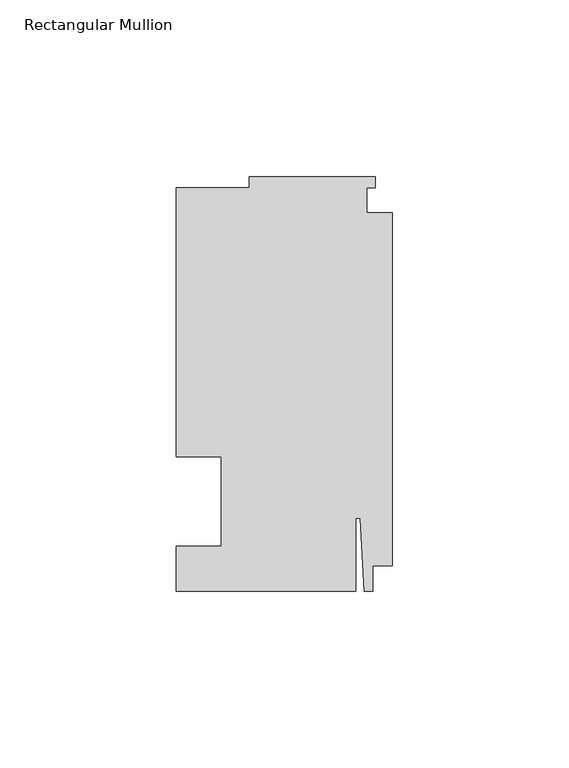
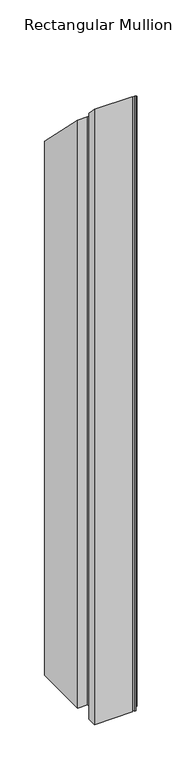
"""IFC4 building model written with IfcOpenShell, lengths in millimetres: member geometry, Rectangular Mullion."""

import ifcopenshell
import ifcopenshell.guid

model = None  # the IFC model being written
_history = None  # IfcOwnerHistory: only IFC2X3 demands one
_inside = {}  # id of a spatial element -> (the spatial element, [elements in it])
_under = {}  # id of a project, library or spatial element -> (it, [spatial elements below it])
_declared = {}  # id of a project -> (the project, [libraries it declares])
_typed = {}  # id of a type object -> (the type object, [elements of that type])
_made_of = {}  # id of a material, layer set ... -> (it, [elements and type objects made of it])


def new_model(schema):
    """Start an empty IFC model of exactly this schema.

    Asked for "IFC4X3", IfcOpenShell would pick the latest addendum, in which some entities
    have other attributes; the version numbers below select the first issue.
    IFC2X3 requires an IfcOwnerHistory on every rooted entity: one is made here for all.
    """
    global model, _history
    if schema == "IFC4X3":
        model = ifcopenshell.file(schema_version=(4, 3, 0, 0))
    else:
        model = ifcopenshell.file(schema=schema)
    _inside.clear()
    _under.clear()
    _declared.clear()
    _typed.clear()
    _made_of.clear()
    _history = None
    if model.schema == "IFC2X3":
        org = make("IfcOrganization", Name="unknown")
        user = make(
            "IfcPersonAndOrganization",
            ThePerson=make("IfcPerson", FamilyName="unknown"),
            TheOrganization=org,
        )
        app = make(
            "IfcApplication",
            ApplicationDeveloper=org,
            Version="unknown",
            ApplicationFullName="unknown",
            ApplicationIdentifier="unknown",
        )
        _history = make(
            "IfcOwnerHistory",
            OwningUser=user,
            OwningApplication=app,
            ChangeAction="ADDED",
            CreationDate=0,
        )
    return model


def make(cls, **values):
    """One entity of the class cls with the attributes given. An attribute that is None is left unset."""
    return model.create_entity(
        cls, **{name: value for name, value in values.items() if value is not None}
    )


def rooted(cls, **values):
    """An entity with a GlobalId (a new one), such as an element, a storey or a relation."""
    return make(cls, GlobalId=ifcopenshell.guid.new(), OwnerHistory=_history, **values)


def si_unit(unit_type, name, prefix=None):
    """IfcSIUnit, for example si_unit("LENGTHUNIT", "METRE", prefix="MILLI")."""
    return make("IfcSIUnit", UnitType=unit_type, Prefix=prefix, Name=name)


def assignment(units):
    """IfcUnitAssignment: the units of a project."""
    return None if units is None else make("IfcUnitAssignment", Units=units)


def point(xyz):
    """IfcCartesianPoint."""
    return None if xyz is None else make("IfcCartesianPoint", Coordinates=xyz)


def direction(xyz):
    """IfcDirection."""
    return None if xyz is None else make("IfcDirection", DirectionRatios=xyz)


def frame(location, z_axis=None, x_axis=None):
    """IfcAxis2Placement3D, a coordinate frame: its origin and axes. An axis left out is left unset."""
    return make(
        "IfcAxis2Placement3D",
        Location=point(location),
        Axis=direction(z_axis),
        RefDirection=direction(x_axis),
    )


def origin():
    """The frame at (0, 0, 0) with its axes left unset."""
    return frame((0.0, 0.0, 0.0))


def place(relative_to, where):
    """IfcLocalPlacement: puts the frame where relative to a parent placement (None: the world)."""
    return make(
        "IfcLocalPlacement", PlacementRelTo=relative_to, RelativePlacement=where
    )


def context(
    kind, dimensions, precision=None, world=None, true_north=None, identifier=None
):
    """IfcGeometricRepresentationContext, for example the 3D "Model" context."""
    return make(
        "IfcGeometricRepresentationContext",
        ContextIdentifier=identifier,
        ContextType=kind,
        CoordinateSpaceDimension=dimensions,
        Precision=precision,
        WorldCoordinateSystem=world,
        TrueNorth=true_north,
    )


def project(units=None, contexts=None):
    """IfcProject with its units and contexts."""
    return rooted(
        "IfcProject",
        Name="project",
        RepresentationContexts=contexts,
        UnitsInContext=assignment(units),
    )


def spatial(cls, under=None, at=None, **own):
    """A site, building, storey or space (cls), placed at a placement, below another one or the project."""
    s = rooted(cls, ObjectPlacement=at, **own)
    if under is not None:
        _under.setdefault(under.id(), (under, []))[1].append(s)
    return s


def faces_of(points, faces, orient=None, outer=None):
    """IfcFace entities. A face is a list of loops; a loop is a list of indices into points, from 0.

    orient and outer hold one flag for each loop. By default every Orientation is true, the
    first loop of a face is its IfcFaceOuterBound and the others are IfcFaceBound.
    """
    made = []
    for i, loops in enumerate(faces):
        bounds = []
        for j, loop in enumerate(loops):
            is_outer = j == 0 if outer is None else outer[i][j]
            bounds.append(
                make(
                    "IfcFaceOuterBound" if is_outer else "IfcFaceBound",
                    Bound=make("IfcPolyLoop", Polygon=[points[k] for k in loop]),
                    Orientation=True if orient is None else orient[i][j],
                )
            )
        made.append(make("IfcFace", Bounds=bounds))
    return made


def faceted_brep(points, faces, orient=None, outer=None, voids=None):
    """IfcFacetedBrep: a solid bounded by flat faces; with voids (closed shells), ...WithVoids."""
    shared = [point(p) for p in points]
    hull = make("IfcClosedShell", CfsFaces=faces_of(shared, faces, orient, outer))
    if voids is None:
        return make("IfcFacetedBrep", Outer=hull)
    return make(
        "IfcFacetedBrepWithVoids",
        Outer=hull,
        Voids=[
            make(cls, CfsFaces=faces_of(shared, fs, o, b)) for cls, fs, o, b in voids
        ],
    )


def shape(context_of_items, identifier, shape_type, items):
    """IfcShapeRepresentation: the items that make up one representation, for example the "Body"."""
    return make(
        "IfcShapeRepresentation",
        ContextOfItems=context_of_items,
        RepresentationIdentifier=identifier,
        RepresentationType=shape_type,
        Items=items,
    )


def source(mapping_origin, context_of_items, identifier, shape_type, items):
    """IfcRepresentationMap: a shape defined once, which mapped items show again and again."""
    return make(
        "IfcRepresentationMap",
        MappingOrigin=mapping_origin,
        MappedRepresentation=shape(context_of_items, identifier, shape_type, items),
    )


def transform(
    local_origin,
    x_axis=None,
    y_axis=None,
    z_axis=None,
    scale=None,
    scale2=None,
    scale3=None,
    uniform=True,
):
    """IfcCartesianTransformationOperator3D, or its non-uniform kind. x_axis, y_axis, z_axis: its Axis1, 2, 3."""
    if uniform:
        return make(
            "IfcCartesianTransformationOperator3D",
            Axis1=direction(x_axis),
            Axis2=direction(y_axis),
            LocalOrigin=point(local_origin),
            Scale=scale,
            Axis3=direction(z_axis),
        )
    return make(
        "IfcCartesianTransformationOperator3DnonUniform",
        Axis1=direction(x_axis),
        Axis2=direction(y_axis),
        LocalOrigin=point(local_origin),
        Scale=scale,
        Axis3=direction(z_axis),
        Scale2=scale2,
        Scale3=scale3,
    )


def mapped(mapping_source, mapping_target):
    """IfcMappedItem: shows the shape of a source again, moved by a transform."""
    return make(
        "IfcMappedItem", MappingSource=mapping_source, MappingTarget=mapping_target
    )


def made_of(thing, what):
    """Note that an element or type object is made of a material, layer set ...; save() writes the relation."""
    if what is not None:
        _made_of.setdefault(what.id(), (what, []))[1].append(thing)
    return thing


def element(
    cls,
    number,
    at=None,
    inside=None,
    cuts=None,
    type_object=None,
    material=None,
    context=None,
    identifier="Body",
    shape_type=None,
    held_by="IfcProductDefinitionShape",
    body=None,
    shapes=None,
    **own,
):
    """One element of the class cls, such as IfcWall. Its Tag is "e" and its number.

    at: its placement. inside: the storey or other place that contains it. cuts: it is an
    opening in that element (IfcRelVoidsElement). A single representation is given by context,
    identifier, shape_type and body (its items); several are given by shapes. held_by: the class
    of the entity that holds the representations. save() writes the other relations.
    """
    e = rooted(cls, Tag="e%d" % number, ObjectPlacement=at, **own)
    if body is not None:
        shapes = [shape(context, identifier, shape_type, body)]
    if shapes is not None:
        e.Representation = make(held_by, Representations=shapes)
    if inside is not None:
        _inside.setdefault(inside.id(), (inside, []))[1].append(e)
    if cuts is not None:
        rooted(
            "IfcRelVoidsElement", RelatingBuildingElement=cuts, RelatedOpeningElement=e
        )
    if type_object is not None:
        _typed.setdefault(type_object.id(), (type_object, []))[1].append(e)
    return made_of(e, material)


def aggregate(whole, parts):
    """IfcRelAggregates: a whole, such as a stair, and the parts it consists of."""
    return rooted("IfcRelAggregates", RelatingObject=whole, RelatedObjects=parts)


def save(model, path):
    """Write the relations noted so far, then the file.

    IfcRelAggregates (storeys below a building ...), IfcRelContainedInSpatialStructure (elements
    in a storey), IfcRelDefinesByType, IfcRelAssociatesMaterial and IfcRelDeclares: one each for
    every whole, place, type object, material and project.
    """
    for whole, parts in _under.values():
        aggregate(whole, parts)
    for where, things in _inside.values():
        rooted(
            "IfcRelContainedInSpatialStructure",
            RelatedElements=things,
            RelatingStructure=where,
        )
    for kind, things in _typed.values():
        rooted("IfcRelDefinesByType", RelatedObjects=things, RelatingType=kind)
    for what, things in _made_of.values():
        rooted("IfcRelAssociatesMaterial", RelatedObjects=things, RelatingMaterial=what)
    for by, libraries in _declared.values():
        rooted("IfcRelDeclares", RelatingContext=by, RelatedDefinitions=libraries)
    model.write(path)


def rectangular_mullion_1ba30e89(model_context):
    return source(origin(), model_context, "Body", "Brep", [
        faceted_brep([(-48.41875, 12.7, -838.2), (-61.11875, 12.7, -838.2), (-61.11875, 88.9, -838.2), (-40.48125, 88.9, -838.2), (-40.48125, 92.075, -838.2), (-4.7625, 92.075, -838.2), (-4.7625, 88.9, -838.2), (-7.14375, 88.9, -838.2), (-7.14375, 81.75625, -838.2), (0.0, 81.75625, -838.2), (0.0, -18.25625, -838.2), (-5.55625, -18.25625, -838.2), (-5.55625, -25.4, -838.2), (-7.9375, -25.4, -838.2), (-9.0190655, -4.7625, -838.2), (-10.31875, -4.7625, -838.2), (-10.31875, -25.4, -838.2), (-61.11875, -25.4, -838.2), (-61.11875, -12.7, -838.2), (-48.41875, -12.7, -838.2), (-48.41875, -12.7, 12.7), (-48.41875, 12.7, -12.7), (-61.11875, -12.7, 12.7), (-61.11875, -25.4, 25.4), (-10.31875, -25.4, 25.4), (-10.31875, -4.7625, 4.7625), (-9.0190655, -4.7625, 4.7625), (-7.9375, -25.4, 25.4), (-5.55625, -25.4, 25.4), (-5.55625, -18.25625, 18.25625), (0.0, -18.25625, 18.25625), (0.0, 81.75625, -81.75625), (-7.14375, 81.75625, -81.75625), (-7.14375, 88.9, -88.9), (-4.7625, 88.9, -88.9), (-4.7625, 92.075, -92.075), (-40.48125, 92.075, -92.075), (-40.48125, 88.9, -88.9), (-61.11875, 88.9, -88.9), (-61.11875, 12.7, -12.7)], [[[0, 1, 2, 3, 4, 5, 6, 7, 8, 9, 10, 11, 12, 13, 14, 15, 16, 17, 18, 19]], [[20, 21, 0, 19]], [[22, 20, 19, 18]], [[23, 22, 18, 17]], [[24, 23, 17, 16]], [[25, 24, 16, 15]], [[26, 25, 15, 14]], [[27, 26, 14, 13]], [[28, 27, 13, 12]], [[29, 28, 12, 11]], [[30, 29, 11, 10]], [[31, 30, 10, 9]], [[32, 31, 9, 8]], [[33, 32, 8, 7]], [[34, 33, 7, 6]], [[35, 34, 6, 5]], [[36, 35, 5, 4]], [[37, 36, 4, 3]], [[38, 37, 3, 2]], [[39, 38, 2, 1]], [[21, 39, 1, 0]], [[21, 20, 22, 23, 24, 25, 26, 27, 28, 29, 30, 31, 32, 33, 34, 35, 36, 37, 38, 39]]]),
    ])


if __name__ == "__main__":
    model = new_model("IFC4")
    model_context = context("Model", 3, world=origin())
    ifc_project = project(units=[si_unit("LENGTHUNIT", "METRE", prefix="MILLI")], contexts=[model_context])
    site = spatial("IfcSite", under=ifc_project)
    building = spatial("IfcBuilding", under=site)
    placement = place(None, origin())
    rectangular_mullion_shape = rectangular_mullion_1ba30e89(model_context)
    element("IfcMember", 1, ObjectType="Rectangular Mullion", at=placement, inside=building, context=model_context, shape_type="MappedRepresentation", body=[
        mapped(rectangular_mullion_shape, transform((0.0, 0.0, 0.0), x_axis=(1.0, 0.0, 0.0), y_axis=(0.0, 1.0, 0.0), z_axis=(0.0, 0.0, 1.0))),
    ])
    save(model, "model.ifc")
